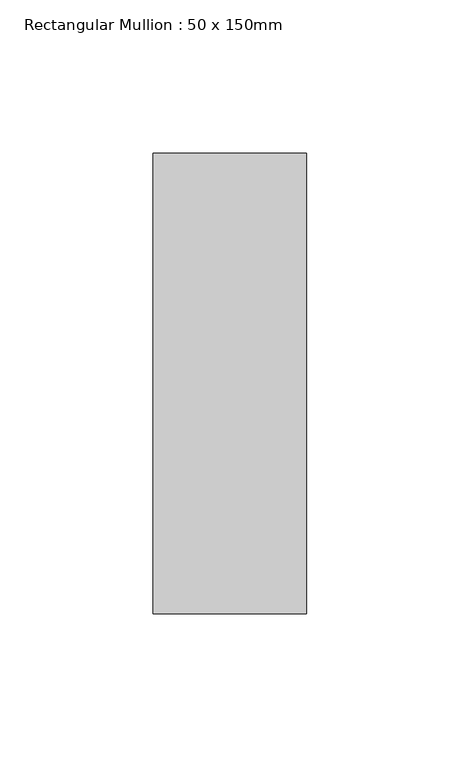
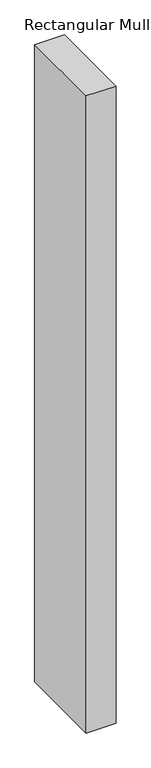
"""IFC4 building model written with IfcOpenShell, lengths in millimetres: member geometry, Rectangular Mullion : 50 x 150mm."""

from ifc_helpers import new_model, si_unit, frame, origin, place, context, project, spatial, polyline, outline, extrude, source, transform, mapped, element, save


def rectangular_mullion_50_x_150mm_94e7ac52(model_context):
    return source(origin(), model_context, "Body", "SweptSolid", [
        extrude(outline(polyline([(25.0, 75.0), (25.0, -75.0), (-25.0, -75.0), (-25.0, 75.0), (25.0, 75.0)])), frame((0.0, 0.0, -1132.487152), z_axis=(0.0, 0.0, 1.0), x_axis=(1.0, 0.0, 0.0)), (0.0, 0.0, 1.0), 1132.487152),
    ])


if __name__ == "__main__":
    model = new_model("IFC4")
    model_context = context("Model", 3, world=origin())
    ifc_project = project(units=[si_unit("LENGTHUNIT", "METRE", prefix="MILLI")], contexts=[model_context])
    site = spatial("IfcSite", under=ifc_project)
    building = spatial("IfcBuilding", under=site)
    placement = place(None, origin())
    rectangular_mullion_50_x_150mm_shape = rectangular_mullion_50_x_150mm_94e7ac52(model_context)
    element("IfcMember", 1, ObjectType="Rectangular Mullion : 50 x 150mm", at=placement, inside=building, context=model_context, shape_type="MappedRepresentation", body=[
        mapped(rectangular_mullion_50_x_150mm_shape, transform((0.0, 0.0, 0.0), x_axis=(1.0, 0.0, 0.0), y_axis=(0.0, 1.0, 0.0), z_axis=(0.0, 0.0, 1.0))),
    ])
    save(model, "model.ifc")
